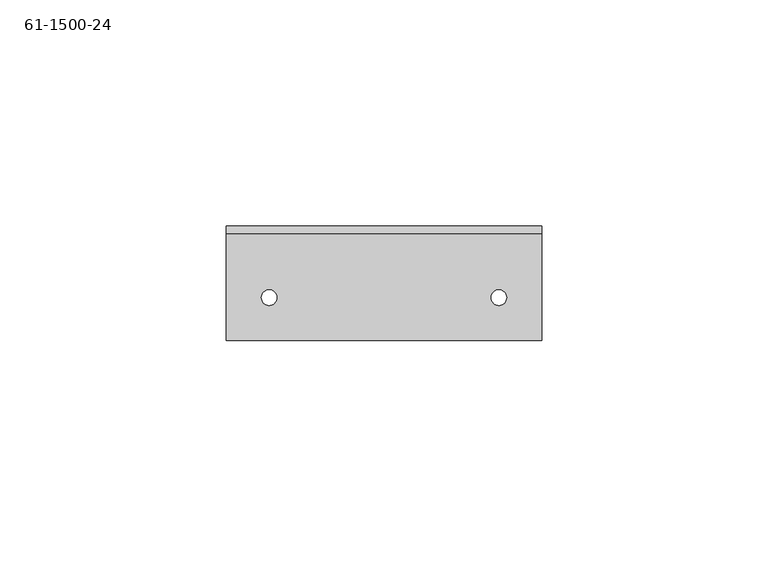
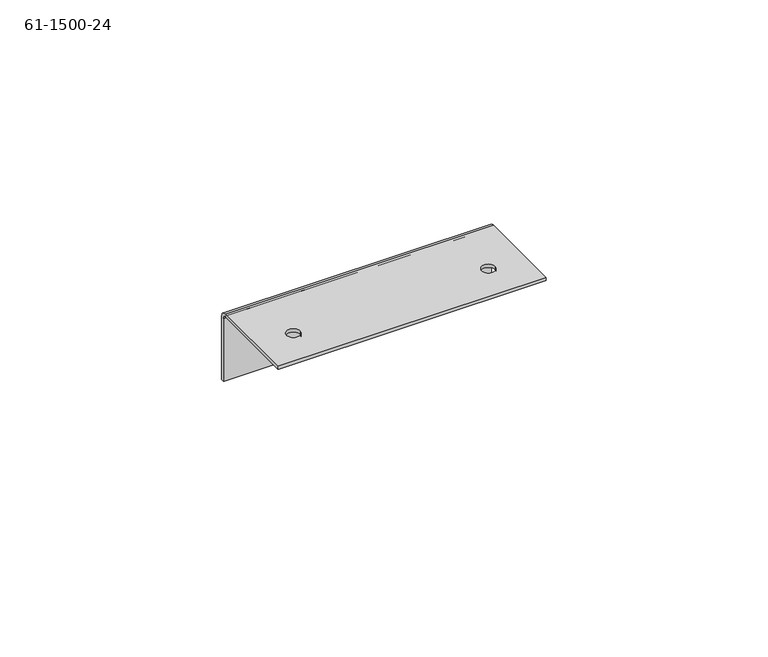
"""IFC4 building model written with IfcOpenShell, lengths in millimetres: proxy geometry, 61-1500-24."""

from ifc_helpers import new_model, si_unit, frame, origin, place, context, project, spatial, polyline, circle_curve, source, transform, mapped, element, save
from ifc_brep_helpers import plane_surface, cylinder_surface, revolved_surface, advanced_brep


def proxy_61_1500_24_e9bf19f9(model_context):
    return source(origin(), model_context, "Body", "AdvancedBrep", [
        advanced_brep(
        [(62.0395, -3.9929975, 0.0), (62.0395, -3.9929975, 0.85344), (58.6105, -3.9929975, 0.85344), (58.6105, -3.9929975, 0.0), (11.2395, -3.9929975, 0.0), (11.2395, -3.9929975, 0.85344), (7.8105, -3.9929975, 0.85344), (7.8105, -3.9929975, 0.0), (69.85, 11.8820025, -0.85344), (0.0, 11.8820025, -0.85344), (0.0, 10.1751225, 0.85344), (69.85, 10.1751225, 0.85344), (0.0, 11.0285625, -0.85344), (69.85, 11.0285625, -0.85344), (69.85, 10.1751225, 0.0), (0.0, 10.1751225, 0.0), (0.0, -13.5179975, 0.85344), (69.85, -13.5179975, 0.85344), (0.0, -13.5179975, 0.0), (69.85, -13.5179975, 0.0), (0.0, 11.8820025, -18.19656), (0.0, 11.0285625, -18.19656), (69.85, 11.8820025, -18.19656), (69.85, 11.0285625, -18.19656)],
        [
            (0, 1),
            (1, 2, circle_curve(frame((60.325, -3.9929975, 0.85344), z_axis=(0.0, 0.0, 1.0), x_axis=(1.0, 0.0, 0.0)), 1.7145)),
            (2, 3),
            (3, 0, circle_curve(frame((60.325, -3.9929975, 0.0), z_axis=(0.0, 0.0, -1.0), x_axis=(1.0, 0.0, 0.0)), 1.7145)),
            (4, 5),
            (5, 6, circle_curve(frame((9.525, -3.9929975, 0.85344), z_axis=(0.0, 0.0, 1.0), x_axis=(1.0, 0.0, 0.0)), 1.7145)),
            (6, 7),
            (7, 4, circle_curve(frame((9.525, -3.9929975, 0.0), z_axis=(0.0, 0.0, -1.0), x_axis=(1.0, 0.0, 0.0)), 1.7145)),
            (4, 7, circle_curve(frame((9.525, -3.9929975, 0.0), z_axis=(0.0, 0.0, -1.0), x_axis=(1.0, 0.0, 0.0)), 1.7145)),
            (6, 5, circle_curve(frame((9.525, -3.9929975, 0.85344), z_axis=(0.0, 0.0, 1.0), x_axis=(1.0, 0.0, 0.0)), 1.7145)),
            (0, 3, circle_curve(frame((60.325, -3.9929975, 0.0), z_axis=(0.0, 0.0, -1.0), x_axis=(1.0, 0.0, 0.0)), 1.7145)),
            (2, 1, circle_curve(frame((60.325, -3.9929975, 0.85344), z_axis=(0.0, 0.0, 1.0), x_axis=(1.0, 0.0, 0.0)), 1.7145)),
            (8, 9),
            (9, 10, circle_curve(frame((0.0, 10.1751225, -0.85344), z_axis=(1.0, 0.0, 0.0), x_axis=(0.0, 0.0, 1.0)), 1.70688)),
            (10, 11),
            (11, 8, circle_curve(frame((69.85, 10.1751225, -0.85344), z_axis=(-1.0, 0.0, 0.0), x_axis=(0.0, 0.0, 1.0)), 1.70688)),
            (12, 13),
            (13, 14, circle_curve(frame((69.85, 10.1751225, -0.85344), z_axis=(1.0, 0.0, 0.0), x_axis=(0.0, 0.0, 1.0)), 0.85344)),
            (14, 15),
            (15, 12, circle_curve(frame((0.0, 10.1751225, -0.85344), z_axis=(-1.0, 0.0, 0.0), x_axis=(0.0, 0.0, 1.0)), 0.85344)),
            (10, 16),
            (16, 17),
            (17, 11),
            (16, 18),
            (18, 19),
            (19, 17),
            (14, 19),
            (18, 15),
            (9, 20),
            (20, 21),
            (21, 12),
            (8, 22),
            (22, 20),
            (13, 23),
            (23, 22),
            (23, 21),
        ],
        [
            revolved_surface(polyline([(62.039500000000004, -3.9929975, 0.8534399999999991), (62.039500000000004, -3.9929975, 0.0)]), (60.325, -3.9929975, -8.67156), (0.0, 0.0, 1.0)),
            revolved_surface(polyline([(11.2395, -3.9929975, 0.8534399999999991), (11.2395, -3.9929975, 0.0)]), (9.525, -3.9929975, -8.67156), (0.0, 0.0, 1.0)),
            cylinder_surface(frame((34.925, 10.1751225, -0.85344), z_axis=(-1.0, 0.0, 0.0), x_axis=(0.0, 0.0, 1.0)), 1.70688),
            revolved_surface(polyline([(0.0, 10.1751225, 0.0), (69.85, 10.1751225, 0.0)]), (34.925, 10.1751225, -0.85344), (-1.0, 0.0, 0.0)),
            plane_surface(frame((34.925, -0.8179975, 0.85344), z_axis=(0.0, 0.0, 1.0), x_axis=(1.0, 0.0, 0.0))),
            plane_surface(frame((69.85, -13.5179975, 0.0), z_axis=(0.0, -1.0, 0.0), x_axis=(0.0, 0.0, -1.0))),
            plane_surface(frame((34.925, -0.8179975, 0.0), z_axis=(0.0, 0.0, -1.0), x_axis=(1.0, 0.0, 0.0))),
            plane_surface(frame((0.0, 11.8820025, -18.19656), z_axis=(-1.0, 0.0, 0.0), x_axis=(0.0, 0.0, 1.0))),
            plane_surface(frame((34.925, 11.8820025, -8.67156), z_axis=(0.0, 1.0, 0.0), x_axis=(0.0, 0.0, 1.0))),
            plane_surface(frame((69.85, 11.8820025, 0.85344), z_axis=(1.0, 0.0, 0.0), x_axis=(0.0, 0.0, -1.0))),
            plane_surface(frame((69.85, 11.8820025, -18.19656), z_axis=(0.0, 0.0, -1.0), x_axis=(-1.0, 0.0, 0.0))),
            plane_surface(frame((34.925, 11.0285625, -8.67156), z_axis=(0.0, -1.0, 0.0), x_axis=(0.0, 0.0, 1.0))),
        ],
        [
            (0, [[1, 2, 3, 4]]),
            (1, [[5, 6, 7, 8]]),
            (1, [[-5, 9, -7, 10]]),
            (0, [[-1, 11, -3, 12]]),
            (2, [[13, 14, 15, 16]]),
            (3, [[17, 18, 19, 20]]),
            (4, [[-15, 21, 22, 23], [-10, -6], [-12, -2]]),
            (5, [[-22, 24, 25, 26]]),
            (6, [[-19, 27, -25, 28], [-9, -8], [-11, -4]]),
            (7, [[29, 30, 31, -20, -28, -24, -21, -14]]),
            (8, [[-13, 32, 33, -29]]),
            (9, [[34, 35, -32, -16, -23, -26, -27, -18]]),
            (10, [[36, -30, -33, -35]]),
            (11, [[-17, -31, -36, -34]]),
        ],
    ),
    ])


if __name__ == "__main__":
    model = new_model("IFC4")
    model_context = context("Model", 3, world=origin())
    ifc_project = project(units=[si_unit("LENGTHUNIT", "METRE", prefix="MILLI")], contexts=[model_context])
    site = spatial("IfcSite", under=ifc_project)
    building = spatial("IfcBuilding", under=site)
    placement = place(None, origin())
    proxy_61_1500_24_shape = proxy_61_1500_24_e9bf19f9(model_context)
    element("IfcBuildingElementProxy", 1, Name="61-1500-24", ObjectType="61-1500-24", at=placement, inside=building, context=model_context, shape_type="MappedRepresentation", body=[
        mapped(proxy_61_1500_24_shape, transform((0.0, 0.0, 0.0), x_axis=(1.0, 0.0, 0.0), y_axis=(0.0, 1.0, 0.0), z_axis=(0.0, 0.0, 1.0))),
    ])
    save(model, "model.ifc")
